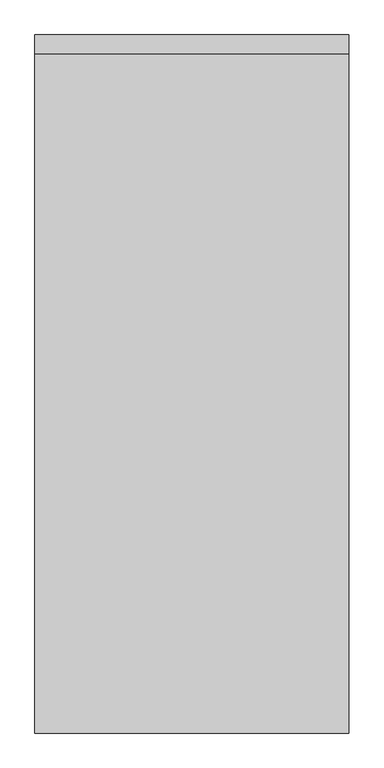
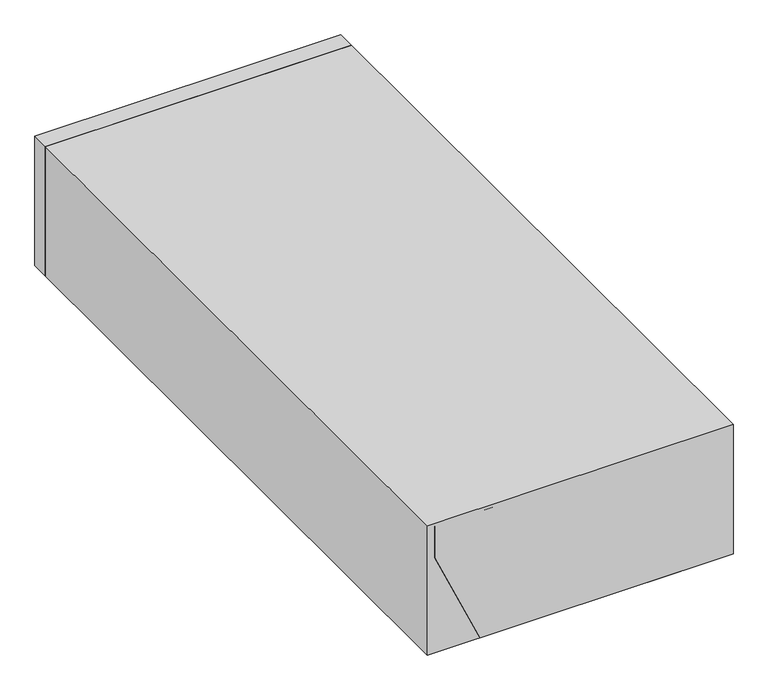
"""IFC4 building model written with IfcOpenShell, lengths in millimetres: proxy geometry."""

from ifc_helpers import new_model, si_unit, point, frame, frame_2d, origin, place, context, project, spatial, polyline, circle_curve, trimmed, segment, composite_curve, outline, extrude, faceted_brep, source, transform, mapped, element, save


def specialty_equipment_0c948ce3(model_context):
    return source(origin(), model_context, "Body", "SolidModel", [
        extrude(outline(polyline([(-425.45, 1892.3), (425.45, 1892.3), (425.45, 1841.5), (-425.45, 1841.5), (-425.45, 1892.3)])), frame((0.0, 0.0, -404.0), z_axis=(0.0, 0.0, 1.0), x_axis=(1.0, 0.0, 0.0)), (0.0, 0.0, 1.0), 381.0),
        extrude(outline(polyline([(425.45, 0.0), (-425.45, 0.0), (-425.45, 1892.3), (425.45, 1892.3), (425.45, 0.0)])), frame((0.0, 0.0, -404.0), z_axis=(0.0, 0.0, 1.0), x_axis=(1.0, 0.0, 0.0)), (0.0, 0.0, 1.0), 381.0),
        extrude(outline(composite_curve([segment(trimmed(circle_curve(frame_2d((0.0, -51.9999999)), 52.0), [point((0.0, -104.0))], [point((0.0, 0.0))], False, "CARTESIAN"), True, "CONTINUOUS"), segment(trimmed(circle_curve(frame_2d((0.0, -51.9999999)), 52.0), [point((0.0, 0.0))], [point((0.0, -104.0))], False, "CARTESIAN"), True, "CONTINUOUS")], self_intersect=False)), frame((318.6952306, 606.3127496, -317.9763398), z_axis=(-0.911982656783314, 0.0, 0.41022875780038653), x_axis=(0.0, 1.0, 0.0)), (0.0, 0.0, 1.0), 5.0),
        extrude(outline(composite_curve([segment(trimmed(circle_curve(frame_2d((0.0, -52.0)), 52.0), [point((0.0, -104.0))], [point((0.0, 0.0))], False, "CARTESIAN"), True, "CONTINUOUS"), segment(trimmed(circle_curve(frame_2d((0.0, -52.0)), 52.0), [point((0.0, 0.0))], [point((0.0, -104.0))], False, "CARTESIAN"), True, "CONTINUOUS")], self_intersect=False)), frame((-318.6297828, 606.3087946, -318.1218374), z_axis=(0.9119826567833238, 0.0, 0.41022875780036466), x_axis=(0.0, -1.0, 0.0)), (0.0, 0.0, 1.0), 1.0),
        extrude(outline(composite_curve([segment(trimmed(circle_curve(frame_2d((0.0, -6.4)), 6.4), [point((0.0, -12.8))], [point((0.0, 0.0))], False, "CARTESIAN"), True, "CONTINUOUS"), segment(trimmed(circle_curve(frame_2d((0.0, -6.4)), 6.4), [point((0.0, 0.0))], [point((0.0, -12.8))], False, "CARTESIAN"), True, "CONTINUOUS")], self_intersect=False)), frame((-364.4417883, 53.51472, -184.2647645), z_axis=(0.9119826567833238, 0.0, 0.4102287578003647), x_axis=(0.0, -1.0, 0.0)), (0.0, 0.0, 1.0), 30.3526457),
        extrude(outline(polyline([(-315.5, 668.0), (315.5, 668.0), (315.5, 90.0), (-315.5, 90.0), (-315.5, 668.0)])), frame((0.0, 0.0, -87.0), z_axis=(0.0, 0.0, 1.0), x_axis=(1.0, 0.0, 0.0)), (0.0, 0.0, 1.0), 10.0),
        extrude(outline(polyline([(-365.5, 718.0), (365.5, 718.0), (365.5, 40.0), (-365.5, 40.0), (-365.5, 718.0)]), holes=[polyline([(-315.5, 668.0), (-315.5, 90.0), (315.5, 90.0), (315.5, 668.0), (-315.5, 668.0)])]), frame((0.0, 0.0, -87.0), z_axis=(0.0, 0.0, 1.0), x_axis=(1.0, 0.0, 0.0)), (0.0, 0.0, 1.0), 10.0),
        faceted_brep([(-405.5, 0.0, -32.0), (-405.5, 0.0, -125.0), (-280.0, 0.0, -404.0), (280.0, 0.0, -404.0), (405.5, 0.0, -125.0), (405.5, 0.0, -32.0), (-405.5, 758.0, -32.0), (405.5, 758.0, -32.0), (405.5, 758.0, -125.0), (280.0, 758.0, -404.0), (-280.0, 758.0, -404.0), (-405.5, 758.0, -125.0), (-373.1861912, 35.5106017, -196.8370729), (-373.1861912, 70.5106017, -196.8370729), (-385.493054, 70.5106017, -169.4775932), (-385.493054, 35.5106017, -169.4775932), (378.8178285, 88.5161385, -184.3173375), (378.8178285, 28.5161385, -184.3173375), (395.2269788, 28.5161385, -147.8380312), (395.2269788, 88.5161385, -147.8380312), (-365.5, 718.0, -32.0), (365.5, 718.0, -32.0), (365.5, 40.0, -32.0), (-365.5, 40.0, -32.0), (365.5, 718.0, -102.0), (-365.5, 718.0, -102.0), (-265.5, 718.0, -335.4549429), (265.5, 718.0, -335.4549429), (365.5, 40.0, -102.0), (265.5, 40.0, -335.4549429), (-265.5, 40.0, -335.4549429), (-365.5, 40.0, -102.0), (361.2872596, 28.5161385, -176.4317232), (361.2872596, 88.5161385, -176.4317232), (377.6964099, 88.5161385, -139.9524169), (377.6964099, 28.5161385, -139.9524169), (-333.5287057, 70.5106017, -178.9983115), (-333.5287057, 35.5106017, -178.9983115), (-345.8355684, 35.5106017, -151.6388318), (-345.8355684, 70.5106017, -151.6388318)], [[[0, 1, 2, 3, 4, 5]], [[6, 7, 8, 9, 10, 11]], [[1, 0, 6, 11]], [[2, 1, 11, 10], [12, 13, 14, 15]], [[3, 2, 10, 9]], [[4, 3, 9, 8], [16, 17, 18, 19]], [[5, 4, 8, 7]], [[0, 5, 7, 6], [20, 21, 22, 23]], [[24, 21, 20, 25, 26, 27]], [[28, 29, 30, 31, 23, 22]], [[21, 24, 28, 22]], [[25, 20, 23, 31]], [[26, 25, 31, 30]], [[27, 26, 30, 29]], [[24, 27, 29, 28]], [[32, 33, 34, 35]], [[33, 32, 17, 16]], [[34, 33, 16, 19]], [[35, 34, 19, 18]], [[32, 35, 18, 17]], [[36, 37, 38, 39]], [[37, 36, 13, 12]], [[38, 37, 12, 15]], [[39, 38, 15, 14]], [[36, 39, 14, 13]]]),
        extrude(outline(composite_curve([segment(trimmed(circle_curve(frame_2d((-294.2630153, 0.0)), 51.0), [point((-243.2630153, 0.0))], [point((-345.2630153, 0.0))], False, "CARTESIAN"), True, "CONTINUOUS"), segment(trimmed(circle_curve(frame_2d((-294.2630153, 0.0)), 51.0), [point((-345.2630153, 0.0))], [point((-243.2630153, 0.0))], False, "CARTESIAN"), True, "CONTINUOUS")], self_intersect=False)), frame((0.0, 793.0, 0.0), z_axis=(0.0, 1.0, 0.0), x_axis=(0.0, 0.0, 1.0)), (0.0, 0.0, 1.0), 30.0),
        extrude(outline(composite_curve([segment(trimmed(circle_curve(frame_2d((-294.2630153, 0.0)), 84.0), [point((-378.2630153, 0.0))], [point((-210.2630153, 0.0))], False, "CARTESIAN"), True, "CONTINUOUS"), segment(trimmed(circle_curve(frame_2d((-294.2630153, 0.0)), 84.0), [point((-210.2630153, 0.0))], [point((-378.2630153, 0.0))], False, "CARTESIAN"), True, "CONTINUOUS")], self_intersect=False)), frame((0.0, 758.0, 0.0), z_axis=(0.0, 1.0, 0.0), x_axis=(0.0, 0.0, 1.0)), (0.0, 0.0, 1.0), 35.0),
        extrude(outline(polyline([(-87.0, 360.5), (-87.0, -360.5), (-100.9742029, -360.5), (-330.4549429, -262.2023426), (-330.4549429, 262.2023426), (-100.9742029, 360.5), (-87.0, 360.5)])), frame((0.0, 45.0, 0.0), z_axis=(0.0, 1.0, 0.0), x_axis=(0.0, 0.0, 1.0)), (0.0, 0.0, 1.0), 5.0),
        extrude(outline(polyline([(-335.4549429, 265.5), (-102.0, 365.5), (-87.0, 365.5), (-87.0, 360.5), (-100.9742029, 360.5), (-330.4549429, 262.2023426), (-330.4549429, -262.2023426), (-100.9742029, -360.5), (-87.0, -360.5), (-87.0, -365.5), (-102.0, -365.5), (-335.4549429, -265.5), (-335.4549429, 265.5)])), frame((0.0, 45.0, 0.0), z_axis=(0.0, 1.0, 0.0), x_axis=(0.0, 0.0, 1.0)), (0.0, 0.0, 1.0), 673.0),
        extrude(outline(polyline([(-335.4549429, 265.5), (-102.0, 365.5), (-87.0, 365.5), (-87.0, -365.5), (-102.0, -365.5), (-335.4549429, -265.5), (-335.4549429, 265.5)])), frame((0.0, 40.0, 0.0), z_axis=(0.0, 1.0, 0.0), x_axis=(0.0, 0.0, 1.0)), (0.0, 0.0, 1.0), 5.0),
    ])


if __name__ == "__main__":
    model = new_model("IFC4")
    model_context = context("Model", 3, world=origin())
    ifc_project = project(units=[si_unit("LENGTHUNIT", "METRE", prefix="MILLI")], contexts=[model_context])
    site = spatial("IfcSite", under=ifc_project)
    building = spatial("IfcBuilding", under=site)
    placement = place(None, origin())
    specialty_equipment_shape = specialty_equipment_0c948ce3(model_context)
    element("IfcBuildingElementProxy", 1, Name="Specialty Equipment", at=placement, inside=building, context=model_context, shape_type="MappedRepresentation", body=[
        mapped(specialty_equipment_shape, transform((0.0, 0.0, 0.0), x_axis=(1.0, 0.0, 0.0), y_axis=(0.0, 1.0, 0.0), z_axis=(0.0, 0.0, 1.0))),
    ])
    save(model, "model.ifc")
